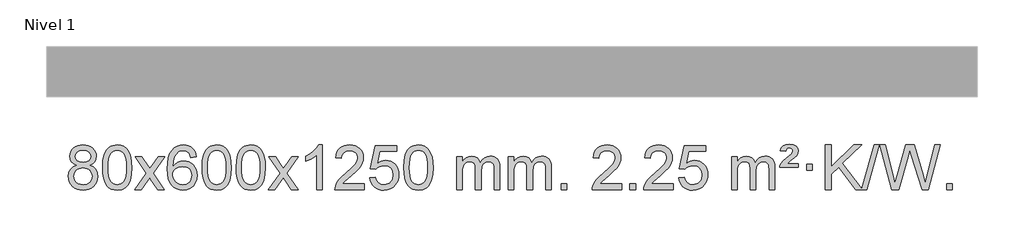
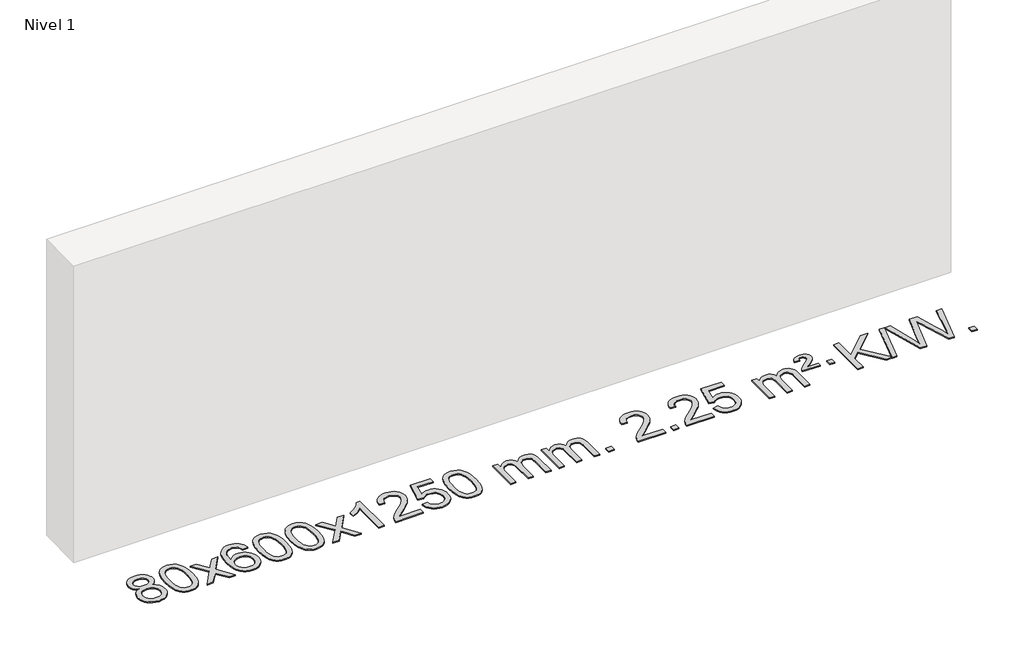
# One storey, part 5 of 8: 1 proxy.
"""IFC4 building model written with IfcOpenShell, lengths in millimetres."""

from ifc_helpers import new_model, si_unit, origin, origin_with_axes, place, context, project, spatial, polyline, outline, extrude, element, save

model = new_model("IFC4")

# Units and contexts
model_context = context("Model", 3, world=origin())
ifc_project = project(units=[si_unit("LENGTHUNIT", "METRE", prefix="MILLI")], contexts=[model_context])

# Site, building, storey
site = spatial("IfcSite", under=ifc_project)
building = spatial("IfcBuilding", under=site)
storey = spatial("IfcBuildingStorey", under=building, Name="Nivel 1", Elevation=0.0)

# Proxy
placement = place(None, origin())
element("IfcBuildingElementProxy", 1, Name="Texto de modelo 1", ObjectType="Texto de modelo 1", at=placement, inside=storey, context=model_context, shape_type="SweptSolid", body=[
    extrude(outline(polyline([(-25906.7901143, 2866.7009514), (-25933.6822881, 2879.9447033), (-25952.5546345, 2897.8973446), (-25963.7014589, 2920.1909935), (-25967.4170671, 2946.457768), (-25965.3937161, 2966.9426637), (-25959.3236632, 2985.7230396), (-25949.2069083, 3002.7988955), (-25935.0434515, 3018.1702316), (-25917.5138744, 3030.8744231), (-25897.2987588, 3039.9488457), (-25874.3981046, 3045.3934992), (-25848.8119118, 3047.2083837), (-25823.1030917, 3045.3505797), (-25800.0307593, 3039.7771674), (-25779.5949144, 3030.488147), (-25761.7955572, 3017.4835185), (-25747.374583, 3001.8117455), (-25737.0738872, 2984.5212918), (-25730.8934696, 2965.6121572), (-25728.8333305, 2945.0843419), (-25732.4998877, 2919.663696), (-25743.4995593, 2897.7501918), (-25761.9549728, 2879.9079151), (-25787.9887553, 2866.7009514), (-25757.074405, 2850.771661), (-25734.5722896, 2827.3130525), (-25720.8502912, 2797.4532972), (-25716.2762917, 2762.3205667), (-25718.5448973, 2737.2678028), (-25725.3507143, 2714.2997036), (-25736.6937424, 2693.416269), (-25752.5739819, 2674.617499), (-25772.1575668, 2659.0806161), (-25794.6106312, 2647.9828426), (-25819.9331752, 2641.3241785), (-25848.1251988, 2639.1046237), (-25876.3172223, 2641.3333755), (-25901.6397663, 2648.0196308), (-25924.0928308, 2659.1633895), (-25943.6764157, 2674.7646518), (-25959.5566551, 2693.6952461), (-25970.8996833, 2714.8270011), (-25977.7055002, 2738.1599166), (-25979.9741058, 2763.6939928), (-25975.2161654, 2800.1878867), (-25960.942344, 2830.2070575), (-25937.8884056, 2852.7214356), (-25906.7901143, 2866.7009514)]), holes=[polyline([(-25917.188912, 2944.98624), (-25912.7375399, 2923.0604731), (-25899.3834234, 2905.5492901), (-25877.5189702, 2894.0713719), (-25847.5365876, 2890.2453991), (-25818.2531808, 2894.0468464), (-25796.7198213, 2905.4511883), (-25783.4760695, 2922.37376), (-25779.0614855, 2942.7298971), (-25783.6232223, 2963.8585864), (-25797.3084325, 2981.3329811), (-25819.1360976, 2993.0684168), (-25848.1251988, 2996.9802287), (-25877.298241, 2993.1542559), (-25899.0891178, 2981.6763377), (-25912.6639635, 2964.8518677), (-25917.188912, 2944.98624)]), polyline([(-25929.7459508, 2765.4598264), (-25927.6490234, 2746.2441235), (-25921.3582413, 2727.6415573), (-25909.745433, 2711.4179613), (-25891.682427, 2699.3391691), (-25870.0509657, 2691.8343764), (-25847.7327913, 2689.3327788), (-25813.5442912, 2694.5934914), (-25799.6506145, 2701.169382), (-25787.8906534, 2710.3756289), (-25771.8509984, 2734.2756959), (-25766.5044468, 2763.8901965), (-25772.0226767, 2794.0074692), (-25788.5773665, 2818.4348337), (-25800.6561587, 2827.8771382), (-25814.8196155, 2834.6216414), (-25849.400523, 2840.017244), (-25883.1107765, 2834.6952178), (-25896.8481034, 2828.0426851), (-25908.5068969, 2818.7291393), (-25924.4361873, 2794.7677586), (-25929.7459508, 2765.4598264)])]), origin_with_axes(), (0.0, 0.0, 1.0), 10.0),
    extrude(outline(polyline([(-25672.326656, 2843.0584019), (-25668.6355733, 2907.3764374), (-25657.5623253, 2958.6714502), (-25639.2172764, 2997.7282554), (-25627.3592135, 3012.9616357), (-25613.7107915, 3025.3316677), (-25598.2260251, 3034.902731), (-25580.8589293, 3041.7392047), (-25540.4777489, 3047.2083837), (-25509.5266104, 3043.9710222), (-25481.8128334, 3034.2589375), (-25458.6362678, 3018.4522744), (-25441.296763, 2996.9311777), (-25428.200164, 2969.8795883), (-25417.7523154, 2937.4814473), (-25410.9097102, 2896.3399775), (-25408.6288419, 2843.0584019), (-25412.2831364, 2779.1082484), (-25423.2460198, 2727.9358628), (-25441.480704, 2688.8422695), (-25453.3111759, 2673.562904), (-25466.9504008, 2661.1284925), (-25482.4535613, 2651.4930499), (-25499.8758394, 2644.6105909), (-25540.4777489, 2639.1046237), (-25568.142475, 2641.4958567), (-25592.6679413, 2648.6695556), (-25614.054148, 2660.6257205), (-25632.3010949, 2677.3643512), (-25649.8122779, 2707.6226453), (-25662.3202657, 2745.3244185), (-25669.8250584, 2790.4696707), (-25672.326656, 2843.0584019)]), holes=[polyline([(-25622.0985009, 2843.1565037), (-25620.626973, 2799.4919766), (-25616.212389, 2764.1477139), (-25608.8547491, 2737.1237157), (-25598.5540532, 2718.4199819), (-25586.0951163, 2705.6943306), (-25572.2627533, 2696.6045796), (-25557.0569642, 2691.150729), (-25540.4777489, 2689.3327788), (-25523.8985337, 2691.1568604), (-25508.6927446, 2696.6291051), (-25494.8603815, 2705.7495129), (-25482.4014446, 2718.5180838), (-25472.1007488, 2737.2524744), (-25464.7431089, 2764.2703412), (-25460.3285249, 2799.5716844), (-25458.8569969, 2843.1565037), (-25460.279474, 2885.6652683), (-25464.5469051, 2920.3871973), (-25471.6592904, 2947.3222907), (-25481.6166297, 2966.4705485), (-25493.8671002, 2979.8185336), (-25507.8588787, 2989.3528086), (-25523.5919654, 2995.0733736), (-25541.0663601, 2996.9802287), (-25557.5597363, 2995.3002342), (-25572.508008, 2990.2602509), (-25585.9111753, 2981.8602787), (-25597.7692383, 2970.1003175), (-25608.4132907, 2949.2536711), (-25616.0161853, 2921.1474867), (-25620.577922, 2885.7817642), (-25622.0985009, 2843.1565037)])]), origin_with_axes(), (0.0, 0.0, 1.0), 10.0),
    extrude(outline(polyline([(-25383.5147643, 2645.3831431), (-25276.1913236, 2793.7131636), (-25377.236245, 2940.4735542), (-25316.8054959, 2940.4735542), (-25268.0488688, 2869.8402111), (-25245.289236, 2836.4855769), (-25225.5707611, 2863.7578955), (-25170.0451053, 2940.4735542), (-25109.6143562, 2940.4735542), (-25215.7605745, 2793.7131636), (-25113.5384308, 2645.3831431), (-25173.9691799, 2645.3831431), (-25235.4790495, 2734.5577388), (-25246.760764, 2750.8426484), (-25323.0840153, 2645.3831431), (-25383.5147643, 2645.3831431)])), origin_with_axes(), (0.0, 0.0, 1.0), 10.0),
    extrude(outline(polyline([(-24824.7265391, 2940.4735542), (-24874.9546942, 2934.1950348), (-24883.0480981, 2959.0883832), (-24893.9864561, 2976.0845313), (-24916.7706143, 2991.7563043), (-24944.312713, 2996.9802287), (-24967.660957, 2993.9390708), (-24989.6357748, 2984.8155973), (-25008.5081212, 2965.5998945), (-25023.9223768, 2939.149179), (-25034.3334372, 2901.7355801), (-25038.1961982, 2849.6312269), (-25018.0485276, 2873.1388863), (-24993.903206, 2889.7058389), (-24967.109134, 2899.5282881), (-24939.0152123, 2902.8024379), (-24914.8821534, 2900.5644891), (-24892.61303, 2893.8506427), (-24872.207842, 2882.6608987), (-24853.6665894, 2866.995257), (-24838.2584652, 2847.7856855), (-24827.2526622, 2825.9641518), (-24820.6491803, 2801.530656), (-24818.4480197, 2774.485198), (-24822.5928236, 2738.5186016), (-24835.027235, 2705.1762301), (-24854.7211845, 2676.8983674), (-24880.6446024, 2656.1252974), (-24911.6202664, 2643.3597922), (-24946.4709541, 2639.1046237), (-24976.4134828, 2641.9250524), (-25003.4558751, 2650.3863383), (-25027.5981311, 2664.4884814), (-25048.8402506, 2684.2314818), (-25066.1582955, 2710.4492053), (-25078.5283276, 2743.9755178), (-25085.9503469, 2784.8104193), (-25088.4243533, 2832.9539097), (-25085.677501, 2886.9283298), (-25077.4369443, 2932.993287), (-25063.7026832, 2971.1487812), (-25044.4747176, 3001.3948126), (-25023.6342026, 3021.43825), (-24999.4704868, 3035.7549909), (-24971.9835704, 3044.3450355), (-24941.1734533, 3047.2083837), (-24918.0398072, 3045.4364188), (-24897.1011903, 3040.120524), (-24878.3576027, 3031.2606992), (-24861.8090442, 3018.8569446), (-24847.9031048, 3003.3261931), (-24837.0873742, 2985.0853775), (-24829.3618523, 2964.1344979), (-24824.7265391, 2940.4735542)]), holes=[polyline([(-25038.1961982, 2775.2700129), (-25035.2899304, 2753.0131522), (-25026.5711271, 2731.7618356), (-25013.0330697, 2713.4903632), (-24995.6690396, 2700.1730349), (-24974.7120286, 2692.0428429), (-24950.3950287, 2689.3327788), (-24917.2488609, 2694.9491106), (-24903.3337244, 2701.9695254), (-24891.1905529, 2711.798106), (-24881.3405125, 2724.0363137), (-24874.3047693, 2738.2856096), (-24868.6761748, 2772.8174663), (-24874.2311929, 2805.963634), (-24881.1749656, 2819.5844649), (-24890.8962473, 2831.2371271), (-24903.0762071, 2840.5721327), (-24917.3960137, 2847.2399939), (-24952.4551679, 2852.5742828), (-24985.5522847, 2847.2399939), (-25013.2292735, 2831.2371271), (-25024.152303, 2819.7377491), (-25031.954467, 2806.5767707), (-25036.6357654, 2791.754192), (-25038.1961982, 2775.2700129)])]), origin_with_axes(), (0.0, 0.0, 1.0), 10.0),
    extrude(outline(polyline([(-24774.4983841, 2843.0584019), (-24770.8073014, 2907.3764374), (-24759.7340533, 2958.6714502), (-24741.3890045, 2997.7282554), (-24729.5309415, 3012.9616357), (-24715.8825195, 3025.3316677), (-24700.3977532, 3034.902731), (-24683.0306573, 3041.7392047), (-24642.649477, 3047.2083837), (-24611.6983385, 3043.9710222), (-24583.9845615, 3034.2589375), (-24560.8079958, 3018.4522744), (-24543.4684911, 2996.9311777), (-24530.3718921, 2969.8795883), (-24519.9240434, 2937.4814473), (-24513.0814383, 2896.3399775), (-24510.8005699, 2843.0584019), (-24514.4548644, 2779.1082484), (-24525.4177479, 2727.9358628), (-24543.6524321, 2688.8422695), (-24555.4829039, 2673.562904), (-24569.1221289, 2661.1284925), (-24584.6252893, 2651.4930499), (-24602.0475674, 2644.6105909), (-24642.649477, 2639.1046237), (-24670.314203, 2641.4958567), (-24694.8396694, 2648.6695556), (-24716.225876, 2660.6257205), (-24734.472823, 2677.3643512), (-24751.9840059, 2707.6226453), (-24764.4919938, 2745.3244185), (-24771.9967865, 2790.4696707), (-24774.4983841, 2843.0584019)]), holes=[polyline([(-24724.270229, 2843.1565037), (-24722.798701, 2799.4919766), (-24718.3841171, 2764.1477139), (-24711.0264772, 2737.1237157), (-24700.7257813, 2718.4199819), (-24688.2668444, 2705.6943306), (-24674.4344814, 2696.6045796), (-24659.2286922, 2691.150729), (-24642.649477, 2689.3327788), (-24626.0702617, 2691.1568604), (-24610.8644726, 2696.6291051), (-24597.0321096, 2705.7495129), (-24584.5731727, 2718.5180838), (-24574.2724768, 2737.2524744), (-24566.9148369, 2764.2703412), (-24562.500253, 2799.5716844), (-24561.028725, 2843.1565037), (-24562.451202, 2885.6652683), (-24566.7186332, 2920.3871973), (-24573.8310184, 2947.3222907), (-24583.7883578, 2966.4705485), (-24596.0388282, 2979.8185336), (-24610.0306067, 2989.3528086), (-24625.7636934, 2995.0733736), (-24643.2380882, 2996.9802287), (-24659.7314643, 2995.3002342), (-24674.679736, 2990.2602509), (-24688.0829034, 2981.8602787), (-24699.9409664, 2970.1003175), (-24710.5850188, 2949.2536711), (-24718.1879133, 2921.1474867), (-24722.7496501, 2885.7817642), (-24724.270229, 2843.1565037)])]), origin_with_axes(), (0.0, 0.0, 1.0), 10.0),
    extrude(outline(polyline([(-24466.8509342, 2843.0584019), (-24463.1598515, 2907.3764374), (-24452.0866035, 2958.6714502), (-24433.7415547, 2997.7282554), (-24421.8834917, 3012.9616357), (-24408.2350697, 3025.3316677), (-24392.7503033, 3034.902731), (-24375.3832075, 3041.7392047), (-24335.0020271, 3047.2083837), (-24304.0508886, 3043.9710222), (-24276.3371117, 3034.2589375), (-24253.160546, 3018.4522744), (-24235.8210412, 2996.9311777), (-24222.7244422, 2969.8795883), (-24212.2765936, 2937.4814473), (-24205.4339884, 2896.3399775), (-24203.1531201, 2843.0584019), (-24206.8074146, 2779.1082484), (-24217.770298, 2727.9358628), (-24236.0049822, 2688.8422695), (-24247.8354541, 2673.562904), (-24261.474679, 2661.1284925), (-24276.9778395, 2651.4930499), (-24294.4001176, 2644.6105909), (-24335.0020271, 2639.1046237), (-24362.6667532, 2641.4958567), (-24387.1922195, 2648.6695556), (-24408.5784262, 2660.6257205), (-24426.8253731, 2677.3643512), (-24444.3365561, 2707.6226453), (-24456.844544, 2745.3244185), (-24464.3493367, 2790.4696707), (-24466.8509342, 2843.0584019)]), holes=[polyline([(-24416.6227791, 2843.1565037), (-24415.1512512, 2799.4919766), (-24410.7366672, 2764.1477139), (-24403.3790273, 2737.1237157), (-24393.0783315, 2718.4199819), (-24380.6193946, 2705.6943306), (-24366.7870315, 2696.6045796), (-24351.5812424, 2691.150729), (-24335.0020271, 2689.3327788), (-24318.4228119, 2691.1568604), (-24303.2170228, 2696.6291051), (-24289.3846597, 2705.7495129), (-24276.9257228, 2718.5180838), (-24266.625027, 2737.2524744), (-24259.2673871, 2764.2703412), (-24254.8528031, 2799.5716844), (-24253.3812752, 2843.1565037), (-24254.8037522, 2885.6652683), (-24259.0711833, 2920.3871973), (-24266.1835686, 2947.3222907), (-24276.1409079, 2966.4705485), (-24288.3913784, 2979.8185336), (-24302.3831569, 2989.3528086), (-24318.1162436, 2995.0733736), (-24335.5906383, 2996.9802287), (-24352.0840145, 2995.3002342), (-24367.0322862, 2990.2602509), (-24380.4354536, 2981.8602787), (-24392.2935165, 2970.1003175), (-24402.9375689, 2949.2536711), (-24410.5404635, 2921.1474867), (-24415.1022002, 2885.7817642), (-24416.6227791, 2843.1565037)])]), origin_with_axes(), (0.0, 0.0, 1.0), 10.0),
    extrude(outline(polyline([(-24178.0390425, 2645.3831431), (-24070.7156018, 2793.7131636), (-24171.7605232, 2940.4735542), (-24111.3297741, 2940.4735542), (-24062.573147, 2869.8402111), (-24039.8135142, 2836.4855769), (-24020.0950393, 2863.7578955), (-23964.5693835, 2940.4735542), (-23904.1386344, 2940.4735542), (-24010.2848527, 2793.7131636), (-23908.062709, 2645.3831431), (-23968.4934581, 2645.3831431), (-24030.0033277, 2734.5577388), (-24041.2850422, 2750.8426484), (-24117.6082935, 2645.3831431), (-24178.0390425, 2645.3831431)])), origin_with_axes(), (0.0, 0.0, 1.0), 10.0),
    extrude(outline(polyline([(-23688.3145306, 2645.3831431), (-23738.5426856, 2645.3831431), (-23738.5426856, 2958.5242974), (-23759.5119594, 2941.5649374), (-23786.1220903, 2924.6301029), (-23838.9989958, 2899.2707707), (-23838.9989958, 2946.7520736), (-23799.5497832, 2968.2118566), (-23765.3735458, 2993.7428671), (-23738.432321, 3020.8925583), (-23720.6881461, 3047.2083837), (-23688.3145306, 3047.2083837), (-23688.3145306, 2645.3831431)])), origin_with_axes(), (0.0, 0.0, 1.0), 10.0),
    extrude(outline(polyline([(-23311.6033675, 2695.6112982), (-23311.6033675, 2645.3831431), (-23575.3011816, 2645.3831431), (-23574.1975357, 2663.0660044), (-23569.905579, 2680.0131016), (-23557.5202185, 2707.0769537), (-23539.3958989, 2733.3314654), (-23513.1781754, 2760.8122505), (-23476.5126032, 2791.5549225), (-23422.3113226, 2839.698413), (-23389.7905542, 2875.2358137), (-23373.53017, 2904.0777621), (-23368.110042, 2932.1348956), (-23373.2236017, 2957.2857614), (-23388.5642809, 2978.1937214), (-23412.1455168, 2992.2836018), (-23441.9807466, 2996.9802287), (-23473.3120298, 2992.3939664), (-23497.6535552, 2978.6351798), (-23513.3621164, 2956.7829893), (-23518.7945072, 2927.9165154), (-23569.0226623, 2934.1950348), (-23564.7031145, 2960.1245841), (-23556.8457682, 2982.7799836), (-23545.4506234, 3002.1612334), (-23530.5176801, 3018.2683334), (-23512.3902948, 3030.9296054), (-23491.411824, 3039.9733712), (-23467.5822678, 3045.3996306), (-23440.9016261, 3047.2083837), (-23413.9818611, 3045.1972955), (-23390.0235461, 3039.1640308), (-23369.0266813, 3029.1085896), (-23350.9912664, 3015.0309719), (-23336.5059129, 2997.97351), (-23326.1592318, 2978.9785364), (-23319.9512231, 2958.0460508), (-23317.8818869, 2935.1760535), (-23320.1137043, 2911.1533592), (-23326.8091566, 2887.5475978), (-23338.6917451, 2863.5371663), (-23356.4849709, 2838.3004614), (-23384.8486727, 2808.170926), (-23428.4426892, 2769.4820028), (-23486.2246879, 2721.1668341), (-23508.8862188, 2695.6112982), (-23311.6033675, 2695.6112982)])), origin_with_axes(), (0.0, 0.0, 1.0), 10.0),
    extrude(outline(polyline([(-23261.3752124, 2752.1179727), (-23211.1470573, 2758.396492), (-23201.925482, 2728.2424312), (-23185.8367761, 2706.6477581), (-23162.954516, 2693.6615236), (-23133.3522781, 2689.3327788), (-23114.2224144, 2690.8380293), (-23097.3488935, 2695.3537808), (-23082.7317156, 2702.8800333), (-23070.3708805, 2713.4167868), (-23060.5422999, 2726.4428751), (-23053.5218851, 2741.4371321), (-23047.9055534, 2777.3301521), (-23053.1662659, 2811.1262447), (-23059.7421566, 2825.0444468), (-23068.9484035, 2836.9760862), (-23080.8156635, 2846.5471495), (-23095.3745935, 2853.3836232), (-23132.5674632, 2858.8528022), (-23156.933514, 2856.6700357), (-23176.6642517, 2850.1217362), (-23192.4218638, 2840.0908204), (-23204.868538, 2827.4602053), (-23255.096693, 2833.7387247), (-23211.1470573, 3040.9298643), (-23016.5129564, 3040.9298643), (-23016.5129564, 2990.7017093), (-23170.5328851, 2990.7017093), (-23192.0171936, 2880.0428051), (-23174.2914128, 2892.7469967), (-23156.1364363, 2901.8214192), (-23137.5522642, 2907.2660728), (-23118.5388964, 2909.0809573), (-23094.0778094, 2906.8307457), (-23071.6094166, 2900.0801111), (-23051.1337179, 2888.8290534), (-23032.6507133, 2873.0775727), (-23017.349888, 2853.7882934), (-23006.420727, 2831.9238402), (-22999.8632305, 2807.4842129), (-22997.6773983, 2780.4694118), (-22999.645567, 2754.447892), (-23005.550073, 2730.2412567), (-23015.3909163, 2707.8495059), (-23029.1680971, 2687.2726396), (-23050.0392689, 2666.1991327), (-23074.393057, 2651.1466277), (-23102.2294613, 2642.1151247), (-23133.5484818, 2639.1046237), (-23159.4688341, 2641.0390699), (-23182.8814574, 2646.8424084), (-23203.7863518, 2656.5146392), (-23222.1835172, 2670.0557623), (-23237.4904739, 2686.7913274), (-23249.124742, 2706.0468841), (-23257.0863215, 2727.8224326), (-23261.3752124, 2752.1179727)])), origin_with_axes(), (0.0, 0.0, 1.0), 10.0),
    extrude(outline(polyline([(-22953.7277626, 2843.0584019), (-22950.0366799, 2907.3764374), (-22938.9634319, 2958.6714502), (-22920.618383, 2997.7282554), (-22908.76032, 3012.9616357), (-22895.111898, 3025.3316677), (-22879.6271317, 3034.902731), (-22862.2600359, 3041.7392047), (-22821.8788555, 3047.2083837), (-22790.927717, 3043.9710222), (-22763.21394, 3034.2589375), (-22740.0373743, 3018.4522744), (-22722.6978696, 2996.9311777), (-22709.6012706, 2969.8795883), (-22699.1534219, 2937.4814473), (-22692.3108168, 2896.3399775), (-22690.0299484, 2843.0584019), (-22693.6842429, 2779.1082484), (-22704.6471264, 2727.9358628), (-22722.8818106, 2688.8422695), (-22734.7122824, 2673.562904), (-22748.3515074, 2661.1284925), (-22763.8546678, 2651.4930499), (-22781.276946, 2644.6105909), (-22821.8788555, 2639.1046237), (-22849.5435816, 2641.4958567), (-22874.0690479, 2648.6695556), (-22895.4552546, 2660.6257205), (-22913.7022015, 2677.3643512), (-22931.2133845, 2707.6226453), (-22943.7213723, 2745.3244185), (-22951.226165, 2790.4696707), (-22953.7277626, 2843.0584019)]), holes=[polyline([(-22903.4996075, 2843.1565037), (-22902.0280795, 2799.4919766), (-22897.6134956, 2764.1477139), (-22890.2558557, 2737.1237157), (-22879.9551598, 2718.4199819), (-22867.4962229, 2705.6943306), (-22853.6638599, 2696.6045796), (-22838.4580708, 2691.150729), (-22821.8788555, 2689.3327788), (-22805.2996403, 2691.1568604), (-22790.0938511, 2696.6291051), (-22776.2614881, 2705.7495129), (-22763.8025512, 2718.5180838), (-22753.5018553, 2737.2524744), (-22746.1442154, 2764.2703412), (-22741.7296315, 2799.5716844), (-22740.2581035, 2843.1565037), (-22741.6805806, 2885.6652683), (-22745.9480117, 2920.3871973), (-22753.060397, 2947.3222907), (-22763.0177363, 2966.4705485), (-22775.2682067, 2979.8185336), (-22789.2599853, 2989.3528086), (-22804.9930719, 2995.0733736), (-22822.4674667, 2996.9802287), (-22838.9608428, 2995.3002342), (-22853.9091146, 2990.2602509), (-22867.3122819, 2981.8602787), (-22879.1703449, 2970.1003175), (-22889.8143973, 2949.2536711), (-22897.4172919, 2921.1474867), (-22901.9790286, 2885.7817642), (-22903.4996075, 2843.1565037)])]), origin_with_axes(), (0.0, 0.0, 1.0), 10.0),
    extrude(outline(polyline([(-22476.5602894, 2645.3831431), (-22476.5602894, 2940.4735542), (-22426.3321343, 2940.4735542), (-22426.3321343, 2891.9131308), (-22411.224447, 2914.2190425), (-22391.8002777, 2931.6934372), (-22368.7218139, 2942.9874145), (-22342.6512431, 2946.7520736), (-22314.716737, 2942.9138381), (-22292.3249862, 2931.3991316), (-22275.5986181, 2912.9682437), (-22264.6602602, 2888.3814637), (-22246.3519995, 2913.9186055), (-22225.4685649, 2932.1594211), (-22202.0099564, 2943.1039105), (-22175.9761739, 2946.7520736), (-22155.8683571, 2945.2345603), (-22138.2192184, 2940.6820207), (-22123.0287577, 2933.0944545), (-22110.296975, 2922.4718619), (-22100.2323367, 2908.6916155), (-22093.0433094, 2891.631088), (-22088.729893, 2871.2902793), (-22087.2920876, 2847.6691895), (-22087.2920876, 2645.3831431), (-22137.5202426, 2645.3831431), (-22137.5202426, 2826.0867792), (-22138.6852023, 2851.139543), (-22142.1800812, 2868.0253266), (-22148.7283807, 2879.589084), (-22159.0536021, 2888.6757693), (-22172.3341421, 2894.5618812), (-22187.7483977, 2896.5239185), (-22214.9594026, 2891.4961979), (-22237.1426869, 2876.4130361), (-22245.7480599, 2864.8431474), (-22251.8947549, 2850.2443635), (-22256.8121109, 2811.9601105), (-22256.8121109, 2645.3831431), (-22307.040266, 2645.3831431), (-22307.040266, 2831.6785855), (-22309.9465338, 2860.0790755), (-22318.6653371, 2880.3371107), (-22334.0060162, 2892.4772166), (-22356.7779118, 2896.5239185), (-22376.1285047, 2893.8261172), (-22393.9585187, 2885.7327133), (-22408.6737985, 2872.4399106), (-22418.6801888, 2854.1439127), (-22424.4191479, 2828.760055), (-22426.3321343, 2794.2036729), (-22426.3321343, 2645.3831431), (-22476.5602894, 2645.3831431)])), origin_with_axes(), (0.0, 0.0, 1.0), 10.0),
    extrude(outline(polyline([(-22011.9498549, 2645.3831431), (-22011.9498549, 2940.4735542), (-21961.7216999, 2940.4735542), (-21961.7216999, 2891.9131308), (-21946.6140126, 2914.2190425), (-21927.1898432, 2931.6934372), (-21904.1113794, 2942.9874145), (-21878.0408087, 2946.7520736), (-21850.1063025, 2942.9138381), (-21827.7145518, 2931.3991316), (-21810.9881837, 2912.9682437), (-21800.0498257, 2888.3814637), (-21781.7415651, 2913.9186055), (-21760.8581305, 2932.1594211), (-21737.3995219, 2943.1039105), (-21711.3657394, 2946.7520736), (-21691.2579227, 2945.2345603), (-21673.608784, 2940.6820207), (-21658.4183233, 2933.0944545), (-21645.6865405, 2922.4718619), (-21635.6219023, 2908.6916155), (-21628.432875, 2891.631088), (-21624.1194586, 2871.2902793), (-21622.6816531, 2847.6691895), (-21622.6816531, 2645.3831431), (-21672.9098082, 2645.3831431), (-21672.9098082, 2826.0867792), (-21674.0747678, 2851.139543), (-21677.5696468, 2868.0253266), (-21684.1179463, 2879.589084), (-21694.4431676, 2888.6757693), (-21707.7237077, 2894.5618812), (-21723.1379633, 2896.5239185), (-21750.3489682, 2891.4961979), (-21772.5322525, 2876.4130361), (-21781.1376255, 2864.8431474), (-21787.2843205, 2850.2443635), (-21792.2016765, 2811.9601105), (-21792.2016765, 2645.3831431), (-21842.4298316, 2645.3831431), (-21842.4298316, 2831.6785855), (-21845.3360993, 2860.0790755), (-21854.0549026, 2880.3371107), (-21869.3955818, 2892.4772166), (-21892.1674773, 2896.5239185), (-21911.5180703, 2893.8261172), (-21929.3480843, 2885.7327133), (-21944.0633641, 2872.4399106), (-21954.0697544, 2854.1439127), (-21959.8087135, 2828.760055), (-21961.7216999, 2794.2036729), (-21961.7216999, 2645.3831431), (-22011.9498549, 2645.3831431)])), origin_with_axes(), (0.0, 0.0, 1.0), 10.0),
    extrude(outline(polyline([(-21534.7823817, 2645.3831431), (-21534.7823817, 2695.6112982), (-21484.5542267, 2695.6112982), (-21484.5542267, 2645.3831431), (-21534.7823817, 2645.3831431)])), origin_with_axes(), (0.0, 0.0, 1.0), 10.0),
    extrude(outline(polyline([(-20988.5511953, 2695.6112982), (-20988.5511953, 2645.3831431), (-21252.2490094, 2645.3831431), (-21251.1453634, 2663.0660044), (-21246.8534068, 2680.0131016), (-21234.4680463, 2707.0769537), (-21216.3437267, 2733.3314654), (-21190.1260032, 2760.8122505), (-21153.460431, 2791.5549225), (-21099.2591504, 2839.698413), (-21066.738382, 2875.2358137), (-21050.4779978, 2904.0777621), (-21045.0578697, 2932.1348956), (-21050.1714295, 2957.2857614), (-21065.5121087, 2978.1937214), (-21089.0933446, 2992.2836018), (-21118.9285744, 2996.9802287), (-21150.2598576, 2992.3939664), (-21174.601383, 2978.6351798), (-21190.3099442, 2956.7829893), (-21195.742335, 2927.9165154), (-21245.97049, 2934.1950348), (-21241.6509423, 2960.1245841), (-21233.793596, 2982.7799836), (-21222.3984512, 3002.1612334), (-21207.4655079, 3018.2683334), (-21189.3381226, 3030.9296054), (-21168.3596518, 3039.9733712), (-21144.5300956, 3045.3996306), (-21117.8494539, 3047.2083837), (-21090.9296889, 3045.1972955), (-21066.9713739, 3039.1640308), (-21045.9745091, 3029.1085896), (-21027.9390942, 3015.0309719), (-21013.4537407, 2997.97351), (-21003.1070596, 2978.9785364), (-20996.8990509, 2958.0460508), (-20994.8297147, 2935.1760535), (-20997.0615321, 2911.1533592), (-21003.7569844, 2887.5475978), (-21015.6395729, 2863.5371663), (-21033.4327987, 2838.3004614), (-21061.7965005, 2808.170926), (-21105.390517, 2769.4820028), (-21163.1725157, 2721.1668341), (-21185.8340466, 2695.6112982), (-20988.5511953, 2695.6112982)])), origin_with_axes(), (0.0, 0.0, 1.0), 10.0),
    extrude(outline(polyline([(-20913.2089627, 2645.3831431), (-20913.2089627, 2695.6112982), (-20862.9808076, 2695.6112982), (-20862.9808076, 2645.3831431), (-20913.2089627, 2645.3831431)])), origin_with_axes(), (0.0, 0.0, 1.0), 10.0),
    extrude(outline(polyline([(-20523.9407608, 2695.6112982), (-20523.9407608, 2645.3831431), (-20787.638575, 2645.3831431), (-20786.534929, 2663.0660044), (-20782.2429724, 2680.0131016), (-20769.8576119, 2707.0769537), (-20751.7332923, 2733.3314654), (-20725.5155687, 2760.8122505), (-20688.8499966, 2791.5549225), (-20634.6487159, 2839.698413), (-20602.1279476, 2875.2358137), (-20585.8675634, 2904.0777621), (-20580.4474353, 2932.1348956), (-20585.560995, 2957.2857614), (-20600.9016742, 2978.1937214), (-20624.4829101, 2992.2836018), (-20654.3181399, 2996.9802287), (-20685.6494232, 2992.3939664), (-20709.9909485, 2978.6351798), (-20725.6995097, 2956.7829893), (-20731.1319005, 2927.9165154), (-20781.3600556, 2934.1950348), (-20777.0405078, 2960.1245841), (-20769.1831616, 2982.7799836), (-20757.7880168, 3002.1612334), (-20742.8550734, 3018.2683334), (-20724.7276881, 3030.9296054), (-20703.7492174, 3039.9733712), (-20679.9196611, 3045.3996306), (-20653.2390194, 3047.2083837), (-20626.3192544, 3045.1972955), (-20602.3609395, 3039.1640308), (-20581.3640746, 3029.1085896), (-20563.3286598, 3015.0309719), (-20548.8433062, 2997.97351), (-20538.4966251, 2978.9785364), (-20532.2886165, 2958.0460508), (-20530.2192802, 2935.1760535), (-20532.4510977, 2911.1533592), (-20539.14655, 2887.5475978), (-20551.0291384, 2863.5371663), (-20568.8223643, 2838.3004614), (-20597.1860661, 2808.170926), (-20640.7800825, 2769.4820028), (-20698.5620812, 2721.1668341), (-20721.2236121, 2695.6112982), (-20523.9407608, 2695.6112982)])), origin_with_axes(), (0.0, 0.0, 1.0), 10.0),
    extrude(outline(polyline([(-20473.7126058, 2752.1179727), (-20423.4844507, 2758.396492), (-20414.2628754, 2728.2424312), (-20398.1741694, 2706.6477581), (-20375.2919093, 2693.6615236), (-20345.6896715, 2689.3327788), (-20326.5598077, 2690.8380293), (-20309.6862869, 2695.3537808), (-20295.0691089, 2702.8800333), (-20282.7082739, 2713.4167868), (-20272.8796932, 2726.4428751), (-20265.8592785, 2741.4371321), (-20260.2429467, 2777.3301521), (-20265.5036592, 2811.1262447), (-20272.0795499, 2825.0444468), (-20281.2857968, 2836.9760862), (-20293.1530569, 2846.5471495), (-20307.7119868, 2853.3836232), (-20344.9048565, 2858.8528022), (-20369.2709073, 2856.6700357), (-20389.001645, 2850.1217362), (-20404.7592571, 2840.0908204), (-20417.2059313, 2827.4602053), (-20467.4340864, 2833.7387247), (-20423.4844507, 3040.9298643), (-20228.8503498, 3040.9298643), (-20228.8503498, 2990.7017093), (-20382.8702784, 2990.7017093), (-20404.3545869, 2880.0428051), (-20386.6288061, 2892.7469967), (-20368.4738297, 2901.8214192), (-20349.8896576, 2907.2660728), (-20330.8762898, 2909.0809573), (-20306.4152028, 2906.8307457), (-20283.9468099, 2900.0801111), (-20263.4711112, 2888.8290534), (-20244.9881066, 2873.0775727), (-20229.6872813, 2853.7882934), (-20218.7581204, 2831.9238402), (-20212.2006238, 2807.4842129), (-20210.0147916, 2780.4694118), (-20211.9829603, 2754.447892), (-20217.8874663, 2730.2412567), (-20227.7283097, 2707.8495059), (-20241.5054904, 2687.2726396), (-20262.3766623, 2666.1991327), (-20286.7304504, 2651.1466277), (-20314.5668547, 2642.1151247), (-20345.8858752, 2639.1046237), (-20371.8062274, 2641.0390699), (-20395.2188507, 2646.8424084), (-20416.1237451, 2656.5146392), (-20434.5209106, 2670.0557623), (-20449.8278672, 2686.7913274), (-20461.4621353, 2706.0468841), (-20469.4237148, 2727.8224326), (-20473.7126058, 2752.1179727)])), origin_with_axes(), (0.0, 0.0, 1.0), 10.0),
    extrude(outline(polyline([(-19996.5451326, 2645.3831431), (-19996.5451326, 2940.4735542), (-19946.3169775, 2940.4735542), (-19946.3169775, 2891.9131308), (-19931.2092902, 2914.2190425), (-19911.7851209, 2931.6934372), (-19888.706657, 2942.9874145), (-19862.6360863, 2946.7520736), (-19834.7015802, 2942.9138381), (-19812.3098294, 2931.3991316), (-19795.5834613, 2912.9682437), (-19784.6451033, 2888.3814637), (-19766.3368427, 2913.9186055), (-19745.4534081, 2932.1594211), (-19721.9947996, 2943.1039105), (-19695.961017, 2946.7520736), (-19675.8532003, 2945.2345603), (-19658.2040616, 2940.6820207), (-19643.0136009, 2933.0944545), (-19630.2818182, 2922.4718619), (-19620.2171799, 2908.6916155), (-19613.0281526, 2891.631088), (-19608.7147362, 2871.2902793), (-19607.2769307, 2847.6691895), (-19607.2769307, 2645.3831431), (-19657.5050858, 2645.3831431), (-19657.5050858, 2826.0867792), (-19658.6700455, 2851.139543), (-19662.1649244, 2868.0253266), (-19668.7132239, 2879.589084), (-19679.0384453, 2888.6757693), (-19692.3189853, 2894.5618812), (-19707.7332409, 2896.5239185), (-19734.9442458, 2891.4961979), (-19757.1275301, 2876.4130361), (-19765.7329031, 2864.8431474), (-19771.8795981, 2850.2443635), (-19776.7969541, 2811.9601105), (-19776.7969541, 2645.3831431), (-19827.0251092, 2645.3831431), (-19827.0251092, 2831.6785855), (-19829.9313769, 2860.0790755), (-19838.6501802, 2880.3371107), (-19853.9908594, 2892.4772166), (-19876.7627549, 2896.5239185), (-19896.1133479, 2893.8261172), (-19913.9433619, 2885.7327133), (-19928.6586417, 2872.4399106), (-19938.665032, 2854.1439127), (-19944.4039911, 2828.760055), (-19946.3169775, 2794.2036729), (-19946.3169775, 2645.3831431), (-19996.5451326, 2645.3831431)])), origin_with_axes(), (0.0, 0.0, 1.0), 10.0),
    extrude(outline(polyline([(-19563.327295, 2846.2957634), (-19559.5013223, 2862.1146892), (-19551.1626637, 2877.9826659), (-19529.6538298, 2903.121269), (-19497.6971471, 2930.8595714), (-19453.5513077, 2968.2363821), (-19446.414397, 2979.7633513), (-19444.0354267, 2991.5846261), (-19445.9238876, 3003.675681), (-19451.5892704, 3013.461342), (-19460.9579985, 3019.9360652), (-19473.9564957, 3022.0943062), (-19486.3909071, 3020.4756254), (-19495.2446005, 3015.6195831), (-19501.6702727, 3006.1527531), (-19506.8206206, 2990.7017093), (-19557.0487757, 2996.9802287), (-19546.2085195, 3022.1924081), (-19529.5802534, 3039.752642), (-19505.8150765, 3050.0533378), (-19473.5640882, 3053.4869031), (-19437.7814328, 3049.354362), (-19413.0352373, 3036.9567388), (-19398.6142631, 3018.6239527), (-19393.8072717, 2996.6859231), (-19397.9030245, 2973.7791375), (-19410.1902832, 2952.1476762), (-19430.7180985, 2932.3310994), (-19467.187467, 2904.2739659), (-19492.7920538, 2877.6883604), (-19393.8072717, 2877.6883604), (-19393.8072717, 2846.2957634), (-19563.327295, 2846.2957634)])), origin_with_axes(), (0.0, 0.0, 1.0), 10.0),
    extrude(outline(polyline([(-19318.4650391, 2821.1816859), (-19318.4650391, 2871.409841), (-19268.236884, 2871.409841), (-19268.236884, 2821.1816859), (-19318.4650391, 2821.1816859)])), origin_with_axes(), (0.0, 0.0, 1.0), 10.0),
    extrude(outline(polyline([(-18877.595256, 2645.3831431), (-19031.0265735, 2848.061597), (-19098.7168606, 2783.5105696), (-19098.7168606, 2645.3831431), (-19148.9450157, 2645.3831431), (-19148.9450157, 3047.2083837), (-19098.7168606, 3047.2083837), (-19098.7168606, 2850.5141436), (-18892.7029433, 3047.2083837), (-18822.4620077, 3047.2083837), (-18995.4155964, 2882.0048424), (-18820.7619865, 2651.4276629), (-18709.4486588, 3047.2083837), (-18664.125597, 3047.2083837), (-18777.1389459, 2645.3831431), (-18816.1834883, 2645.3831431), (-18822.4620077, 2645.3831431), (-18877.595256, 2645.3831431)])), origin_with_axes(), (0.0, 0.0, 1.0), 10.0),
    extrude(outline(polyline([(-18549.6407201, 2645.3831431), (-18659.2205037, 3047.2083837), (-18607.4227188, 3047.2083837), (-18543.85271, 2783.1181621), (-18524.2323369, 2701.595512), (-18503.2385377, 2773.700383), (-18423.5798231, 3047.2083837), (-18348.9243035, 3047.2083837), (-18291.0442029, 2848.9445138), (-18266.2489564, 2775.3681148), (-18247.977484, 2701.595512), (-18228.9457221, 2780.7637174), (-18164.7871022, 3047.2083837), (-18112.9893173, 3047.2083837), (-18222.6672028, 2645.3831431), (-18276.3289231, 2645.3831431), (-18372.6649549, 2955.3850377), (-18386.1049105, 2998.6479604), (-18401.2125977, 2946.5558698), (-18489.0137673, 2645.3831431), (-18549.6407201, 2645.3831431)])), origin_with_axes(), (0.0, 0.0, 1.0), 10.0),
    extrude(outline(polyline([(-18056.4826428, 2645.3831431), (-18056.4826428, 2695.6112982), (-18006.2544877, 2695.6112982), (-18006.2544877, 2645.3831431), (-18056.4826428, 2645.3831431)])), origin_with_axes(), (0.0, 0.0, 1.0), 10.0),
])

save(model, "model.ifc")
